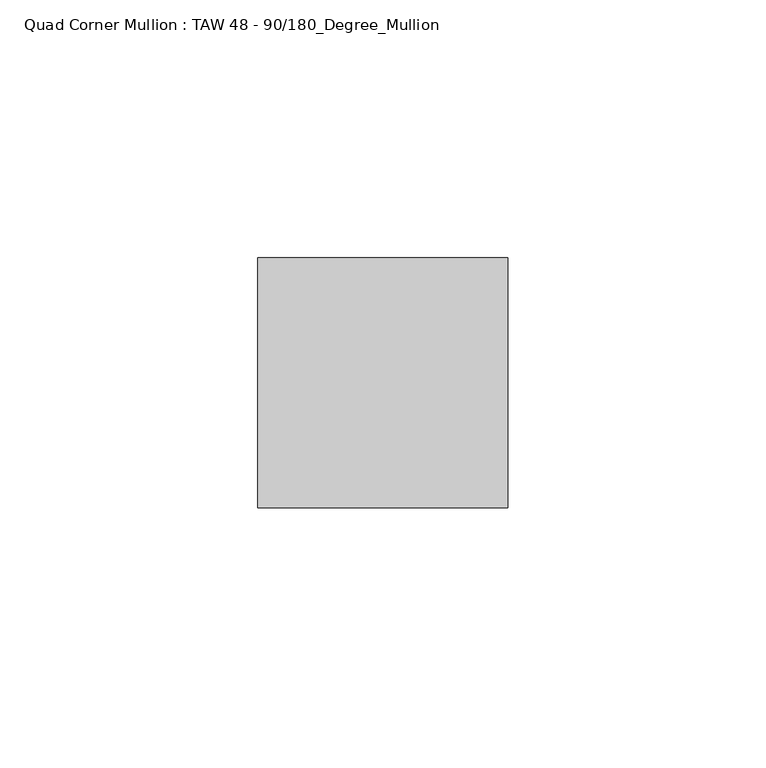
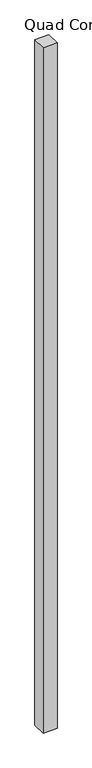
"""IFC4 building model written with IfcOpenShell, lengths in millimetres: member geometry, Quad Corner Mullion : TAW 48 - 90/180_Degree_Mullion."""

from ifc_helpers import new_model, si_unit, frame, origin, place, context, project, spatial, polyline, outline, extrude, source, transform, mapped, element, save


def quad_corner_mullion_taw_48_90_180_degree_mullion_e5fc6116(model_context):
    return source(origin(), model_context, "Body", "SweptSolid", [
        extrude(outline(polyline([(24.25, 24.25), (24.25, -24.25), (-24.25, -24.25), (-24.25, 24.25), (24.25, 24.25)])), frame((0.0, 0.0, -2500.0), z_axis=(0.0, 0.0, 1.0), x_axis=(1.0, 0.0, 0.0)), (0.0, 0.0, 1.0), 2500.0),
    ])


if __name__ == "__main__":
    model = new_model("IFC4")
    model_context = context("Model", 3, world=origin())
    ifc_project = project(units=[si_unit("LENGTHUNIT", "METRE", prefix="MILLI")], contexts=[model_context])
    site = spatial("IfcSite", under=ifc_project)
    building = spatial("IfcBuilding", under=site)
    placement = place(None, origin())
    quad_corner_mullion_taw_48_90_180_degree_mullion_shape = quad_corner_mullion_taw_48_90_180_degree_mullion_e5fc6116(model_context)
    element("IfcMember", 1, ObjectType="Quad Corner Mullion : TAW 48 - 90/180_Degree_Mullion", at=placement, inside=building, context=model_context, shape_type="MappedRepresentation", body=[
        mapped(quad_corner_mullion_taw_48_90_180_degree_mullion_shape, transform((0.0, 0.0, 0.0), x_axis=(1.0, 0.0, 0.0), y_axis=(0.0, 1.0, 0.0), z_axis=(0.0, 0.0, 1.0))),
    ])
    save(model, "model.ifc")
